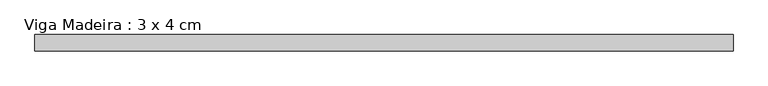
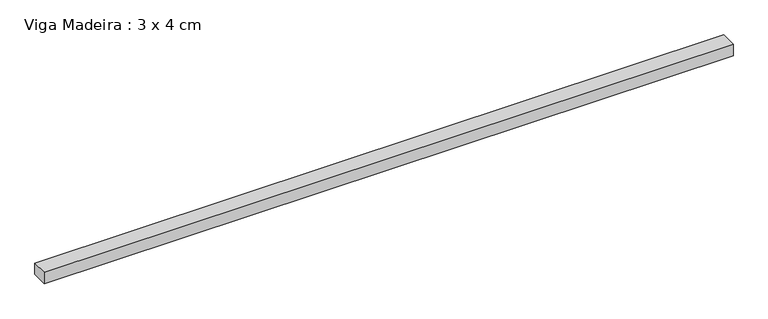
"""IFC4 building model written with IfcOpenShell, lengths in millimetres: beam geometry, Viga Madeira : 3 x 4 cm."""

import ifcopenshell
import ifcopenshell.guid

model = None  # the IFC model being written
_history = None  # IfcOwnerHistory: only IFC2X3 demands one
_inside = {}  # id of a spatial element -> (the spatial element, [elements in it])
_under = {}  # id of a project, library or spatial element -> (it, [spatial elements below it])
_declared = {}  # id of a project -> (the project, [libraries it declares])
_typed = {}  # id of a type object -> (the type object, [elements of that type])
_made_of = {}  # id of a material, layer set ... -> (it, [elements and type objects made of it])


def new_model(schema):
    """Start an empty IFC model of exactly this schema.

    Asked for "IFC4X3", IfcOpenShell would pick the latest addendum, in which some entities
    have other attributes; the version numbers below select the first issue.
    IFC2X3 requires an IfcOwnerHistory on every rooted entity: one is made here for all.
    """
    global model, _history
    if schema == "IFC4X3":
        model = ifcopenshell.file(schema_version=(4, 3, 0, 0))
    else:
        model = ifcopenshell.file(schema=schema)
    _inside.clear()
    _under.clear()
    _declared.clear()
    _typed.clear()
    _made_of.clear()
    _history = None
    if model.schema == "IFC2X3":
        org = make("IfcOrganization", Name="unknown")
        user = make(
            "IfcPersonAndOrganization",
            ThePerson=make("IfcPerson", FamilyName="unknown"),
            TheOrganization=org,
        )
        app = make(
            "IfcApplication",
            ApplicationDeveloper=org,
            Version="unknown",
            ApplicationFullName="unknown",
            ApplicationIdentifier="unknown",
        )
        _history = make(
            "IfcOwnerHistory",
            OwningUser=user,
            OwningApplication=app,
            ChangeAction="ADDED",
            CreationDate=0,
        )
    return model


def make(cls, **values):
    """One entity of the class cls with the attributes given. An attribute that is None is left unset."""
    return model.create_entity(
        cls, **{name: value for name, value in values.items() if value is not None}
    )


def rooted(cls, **values):
    """An entity with a GlobalId (a new one), such as an element, a storey or a relation."""
    return make(cls, GlobalId=ifcopenshell.guid.new(), OwnerHistory=_history, **values)


def si_unit(unit_type, name, prefix=None):
    """IfcSIUnit, for example si_unit("LENGTHUNIT", "METRE", prefix="MILLI")."""
    return make("IfcSIUnit", UnitType=unit_type, Prefix=prefix, Name=name)


def assignment(units):
    """IfcUnitAssignment: the units of a project."""
    return None if units is None else make("IfcUnitAssignment", Units=units)


def point(xyz):
    """IfcCartesianPoint."""
    return None if xyz is None else make("IfcCartesianPoint", Coordinates=xyz)


def direction(xyz):
    """IfcDirection."""
    return None if xyz is None else make("IfcDirection", DirectionRatios=xyz)


def frame(location, z_axis=None, x_axis=None):
    """IfcAxis2Placement3D, a coordinate frame: its origin and axes. An axis left out is left unset."""
    return make(
        "IfcAxis2Placement3D",
        Location=point(location),
        Axis=direction(z_axis),
        RefDirection=direction(x_axis),
    )


def origin():
    """The frame at (0, 0, 0) with its axes left unset."""
    return frame((0.0, 0.0, 0.0))


def place(relative_to, where):
    """IfcLocalPlacement: puts the frame where relative to a parent placement (None: the world)."""
    return make(
        "IfcLocalPlacement", PlacementRelTo=relative_to, RelativePlacement=where
    )


def context(
    kind, dimensions, precision=None, world=None, true_north=None, identifier=None
):
    """IfcGeometricRepresentationContext, for example the 3D "Model" context."""
    return make(
        "IfcGeometricRepresentationContext",
        ContextIdentifier=identifier,
        ContextType=kind,
        CoordinateSpaceDimension=dimensions,
        Precision=precision,
        WorldCoordinateSystem=world,
        TrueNorth=true_north,
    )


def project(units=None, contexts=None):
    """IfcProject with its units and contexts."""
    return rooted(
        "IfcProject",
        Name="project",
        RepresentationContexts=contexts,
        UnitsInContext=assignment(units),
    )


def spatial(cls, under=None, at=None, **own):
    """A site, building, storey or space (cls), placed at a placement, below another one or the project."""
    s = rooted(cls, ObjectPlacement=at, **own)
    if under is not None:
        _under.setdefault(under.id(), (under, []))[1].append(s)
    return s


def polyline(points):
    """IfcPolyline through the points."""
    return make("IfcPolyline", Points=[point(p) for p in points])


def outline(outer, holes=None, kind="AREA"):
    """IfcArbitraryClosedProfileDef: a profile drawn as a closed curve; with holes, ...WithVoids."""
    if holes is None:
        return make("IfcArbitraryClosedProfileDef", ProfileType=kind, OuterCurve=outer)
    return make(
        "IfcArbitraryProfileDefWithVoids",
        ProfileType=kind,
        OuterCurve=outer,
        InnerCurves=holes,
    )


def extrude(swept, where, along, depth):
    """IfcExtrudedAreaSolid: the profile swept, set in the frame where, extruded along a direction by depth."""
    return make(
        "IfcExtrudedAreaSolid",
        SweptArea=swept,
        Position=where,
        ExtrudedDirection=direction(along),
        Depth=depth,
    )


def shape(context_of_items, identifier, shape_type, items):
    """IfcShapeRepresentation: the items that make up one representation, for example the "Body"."""
    return make(
        "IfcShapeRepresentation",
        ContextOfItems=context_of_items,
        RepresentationIdentifier=identifier,
        RepresentationType=shape_type,
        Items=items,
    )


def source(mapping_origin, context_of_items, identifier, shape_type, items):
    """IfcRepresentationMap: a shape defined once, which mapped items show again and again."""
    return make(
        "IfcRepresentationMap",
        MappingOrigin=mapping_origin,
        MappedRepresentation=shape(context_of_items, identifier, shape_type, items),
    )


def transform(
    local_origin,
    x_axis=None,
    y_axis=None,
    z_axis=None,
    scale=None,
    scale2=None,
    scale3=None,
    uniform=True,
):
    """IfcCartesianTransformationOperator3D, or its non-uniform kind. x_axis, y_axis, z_axis: its Axis1, 2, 3."""
    if uniform:
        return make(
            "IfcCartesianTransformationOperator3D",
            Axis1=direction(x_axis),
            Axis2=direction(y_axis),
            LocalOrigin=point(local_origin),
            Scale=scale,
            Axis3=direction(z_axis),
        )
    return make(
        "IfcCartesianTransformationOperator3DnonUniform",
        Axis1=direction(x_axis),
        Axis2=direction(y_axis),
        LocalOrigin=point(local_origin),
        Scale=scale,
        Axis3=direction(z_axis),
        Scale2=scale2,
        Scale3=scale3,
    )


def mapped(mapping_source, mapping_target):
    """IfcMappedItem: shows the shape of a source again, moved by a transform."""
    return make(
        "IfcMappedItem", MappingSource=mapping_source, MappingTarget=mapping_target
    )


def made_of(thing, what):
    """Note that an element or type object is made of a material, layer set ...; save() writes the relation."""
    if what is not None:
        _made_of.setdefault(what.id(), (what, []))[1].append(thing)
    return thing


def element(
    cls,
    number,
    at=None,
    inside=None,
    cuts=None,
    type_object=None,
    material=None,
    context=None,
    identifier="Body",
    shape_type=None,
    held_by="IfcProductDefinitionShape",
    body=None,
    shapes=None,
    **own,
):
    """One element of the class cls, such as IfcWall. Its Tag is "e" and its number.

    at: its placement. inside: the storey or other place that contains it. cuts: it is an
    opening in that element (IfcRelVoidsElement). A single representation is given by context,
    identifier, shape_type and body (its items); several are given by shapes. held_by: the class
    of the entity that holds the representations. save() writes the other relations.
    """
    e = rooted(cls, Tag="e%d" % number, ObjectPlacement=at, **own)
    if body is not None:
        shapes = [shape(context, identifier, shape_type, body)]
    if shapes is not None:
        e.Representation = make(held_by, Representations=shapes)
    if inside is not None:
        _inside.setdefault(inside.id(), (inside, []))[1].append(e)
    if cuts is not None:
        rooted(
            "IfcRelVoidsElement", RelatingBuildingElement=cuts, RelatedOpeningElement=e
        )
    if type_object is not None:
        _typed.setdefault(type_object.id(), (type_object, []))[1].append(e)
    return made_of(e, material)


def aggregate(whole, parts):
    """IfcRelAggregates: a whole, such as a stair, and the parts it consists of."""
    return rooted("IfcRelAggregates", RelatingObject=whole, RelatedObjects=parts)


def save(model, path):
    """Write the relations noted so far, then the file.

    IfcRelAggregates (storeys below a building ...), IfcRelContainedInSpatialStructure (elements
    in a storey), IfcRelDefinesByType, IfcRelAssociatesMaterial and IfcRelDeclares: one each for
    every whole, place, type object, material and project.
    """
    for whole, parts in _under.values():
        aggregate(whole, parts)
    for where, things in _inside.values():
        rooted(
            "IfcRelContainedInSpatialStructure",
            RelatedElements=things,
            RelatingStructure=where,
        )
    for kind, things in _typed.values():
        rooted("IfcRelDefinesByType", RelatedObjects=things, RelatingType=kind)
    for what, things in _made_of.values():
        rooted("IfcRelAssociatesMaterial", RelatedObjects=things, RelatingMaterial=what)
    for by, libraries in _declared.values():
        rooted("IfcRelDeclares", RelatingContext=by, RelatedDefinitions=libraries)
    model.write(path)


def viga_madeira_3_x_4_cm_32b33c71(model_context):
    return source(origin(), model_context, "Body", "SweptSolid", [
        extrude(outline(polyline([(852.0533476, 20.0), (852.0533476, -20.0), (-852.0533476, -20.0), (-852.0533476, 20.0), (852.0533476, 20.0)])), frame((0.0, 0.0, -15.0), z_axis=(0.0, 0.0, 1.0), x_axis=(1.0, 0.0, 0.0)), (0.0, 0.0, 1.0), 30.0),
    ])


if __name__ == "__main__":
    model = new_model("IFC4")
    model_context = context("Model", 3, world=origin())
    ifc_project = project(units=[si_unit("LENGTHUNIT", "METRE", prefix="MILLI")], contexts=[model_context])
    site = spatial("IfcSite", under=ifc_project)
    building = spatial("IfcBuilding", under=site)
    placement = place(None, origin())
    viga_madeira_3_x_4_cm_shape = viga_madeira_3_x_4_cm_32b33c71(model_context)
    element("IfcBeam", 1, ObjectType="Viga Madeira : 3 x 4 cm", at=placement, inside=building, context=model_context, shape_type="MappedRepresentation", body=[
        mapped(viga_madeira_3_x_4_cm_shape, transform((0.0, 0.0, 0.0), x_axis=(1.0, 0.0, 0.0), y_axis=(0.0, 1.0, 0.0), z_axis=(0.0, 0.0, 1.0))),
    ])
    save(model, "model.ifc")
